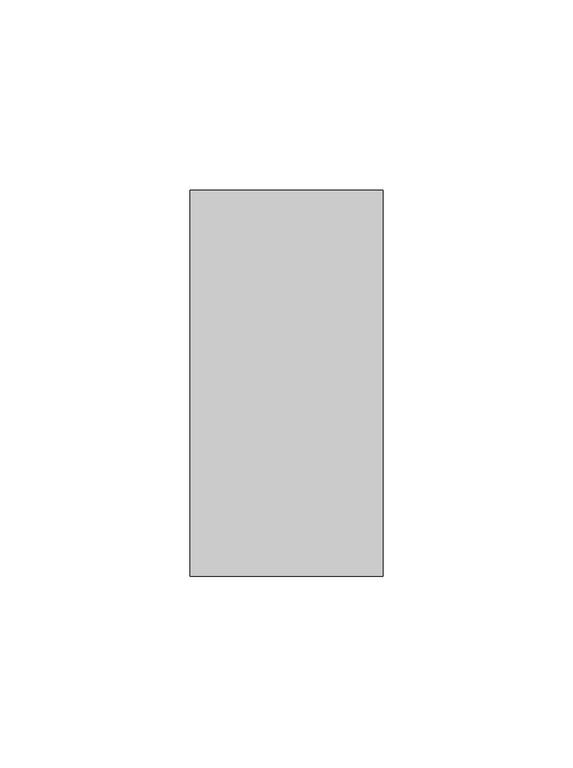
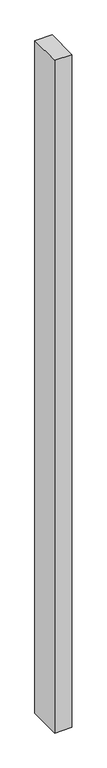
"""IFC4 building model written with IfcOpenShell, lengths in millimetres: proxy geometry."""

from ifc_helpers import new_model, si_unit, origin, origin_with_axes, place, context, project, spatial, polyline, outline, extrude, source, transform, mapped, element, save


def generic_models_faec1b71(model_context):
    return source(origin(), model_context, "Body", "SweptSolid", [
        extrude(outline(polyline([(50.8, 0.0), (0.0, 0.0), (0.0, 101.6), (50.8, 101.6), (50.8, 0.0)])), origin_with_axes(), (0.0, 0.0, 1.0), 2100.0),
    ])


if __name__ == "__main__":
    model = new_model("IFC4")
    model_context = context("Model", 3, world=origin())
    ifc_project = project(units=[si_unit("LENGTHUNIT", "METRE", prefix="MILLI")], contexts=[model_context])
    site = spatial("IfcSite", under=ifc_project)
    building = spatial("IfcBuilding", under=site)
    placement = place(None, origin())
    generic_models_shape = generic_models_faec1b71(model_context)
    element("IfcBuildingElementProxy", 1, Name="Generic Models", at=placement, inside=building, context=model_context, shape_type="MappedRepresentation", body=[
        mapped(generic_models_shape, transform((0.0, 0.0, 0.0), x_axis=(1.0, 0.0, 0.0), y_axis=(0.0, 1.0, 0.0), z_axis=(0.0, 0.0, 1.0))),
    ])
    save(model, "model.ifc")
